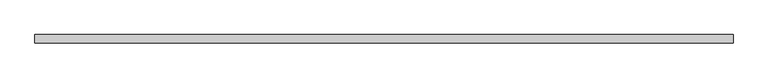
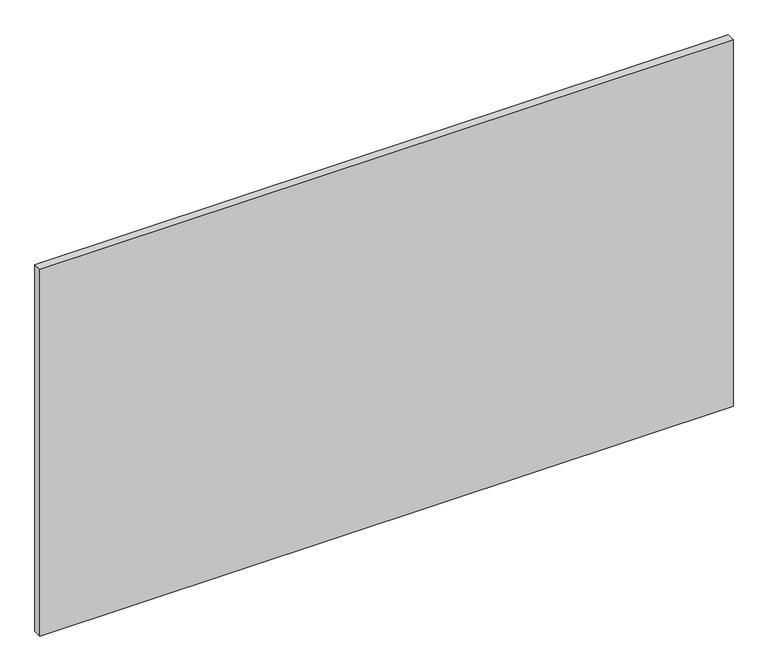
"""IFC4 building model written with IfcOpenShell, lengths in millimetres: plate geometry."""

from ifc_helpers import new_model, si_unit, origin, origin_with_axes, place, context, project, spatial, polyline, outline, extrude, source, transform, mapped, element, save


def plate_dea287a1(model_context):
    return source(origin(), model_context, "Body", "SweptSolid", [
        extrude(outline(polyline([(612.5, 7.25), (612.5, -7.25), (-612.5, -7.25), (-612.5, 7.25), (612.5, 7.25)])), origin_with_axes(), (0.0, 0.0, 1.0), 685.0),
    ])


if __name__ == "__main__":
    model = new_model("IFC4")
    model_context = context("Model", 3, world=origin())
    ifc_project = project(units=[si_unit("LENGTHUNIT", "METRE", prefix="MILLI")], contexts=[model_context])
    site = spatial("IfcSite", under=ifc_project)
    building = spatial("IfcBuilding", under=site)
    placement = place(None, origin())
    plate_shape = plate_dea287a1(model_context)
    element("IfcPlate", 1, at=placement, inside=building, context=model_context, shape_type="MappedRepresentation", body=[
        mapped(plate_shape, transform((0.0, 0.0, 0.0), x_axis=(1.0, 0.0, 0.0), y_axis=(0.0, 1.0, 0.0), z_axis=(0.0, 0.0, 1.0))),
    ])
    save(model, "model.ifc")
